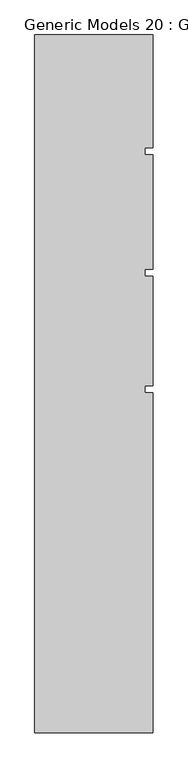
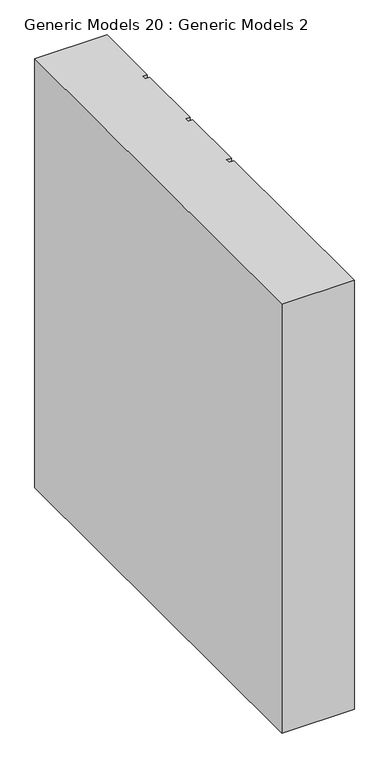
"""IFC4 building model written with IfcOpenShell, lengths in millimetres: proxy geometry, Generic Models 20 : Generic Models 2."""

from ifc_helpers import new_model, si_unit, frame, origin, place, context, project, spatial, polyline, outline, extrude, source, transform, mapped, element, save


def generic_models_20_generic_models_2_dafc84d4(model_context):
    return source(origin(), model_context, "Body", "SweptSolid", [
        extrude(outline(polyline([(5233.0647246, -12592.9629303), (5720.1069397, -12592.9629303), (5720.1069397, -13057.3723427), (5688.4644391, -13057.3723427), (5688.4644391, -13087.4057756), (5720.1069397, -13087.4057756), (5720.1069397, -13557.3723427), (5688.4644391, -13557.3723427), (5688.4644391, -13587.4057756), (5720.1069397, -13587.4057756), (5720.1069397, -14037.3723427), (5688.4644391, -14037.3723427), (5688.4644391, -14067.4057756), (5720.1069397, -14067.4057756), (5720.1069397, -15468.6154552), (5233.0647246, -15468.6154552), (5233.0647246, -12592.9629303)])), frame((0.0, 0.0, 9000.0), z_axis=(0.0, 0.0, 1.0), x_axis=(1.0, 0.0, 0.0)), (0.0, 0.0, 1.0), 3044.7067261),
    ])


if __name__ == "__main__":
    model = new_model("IFC4")
    model_context = context("Model", 3, world=origin())
    ifc_project = project(units=[si_unit("LENGTHUNIT", "METRE", prefix="MILLI")], contexts=[model_context])
    site = spatial("IfcSite", under=ifc_project)
    building = spatial("IfcBuilding", under=site)
    placement = place(None, origin())
    generic_models_20_generic_models_2_shape = generic_models_20_generic_models_2_dafc84d4(model_context)
    element("IfcBuildingElementProxy", 1, Name="Generic Models 20 : Generic Models 2", ObjectType="Generic Models 20 : Generic Models 2", at=placement, inside=building, context=model_context, shape_type="MappedRepresentation", body=[
        mapped(generic_models_20_generic_models_2_shape, transform((0.0, 0.0, 0.0), x_axis=(1.0, 0.0, 0.0), y_axis=(0.0, 1.0, 0.0), z_axis=(0.0, 0.0, 1.0))),
    ])
    save(model, "model.ifc")
